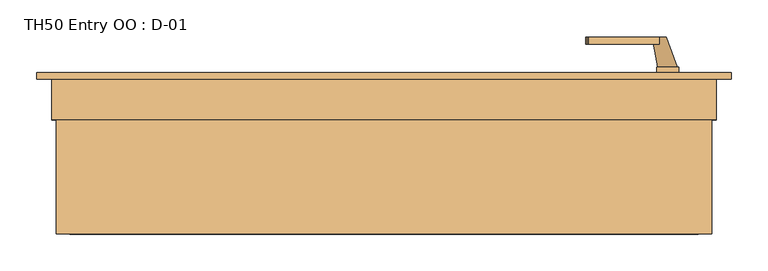
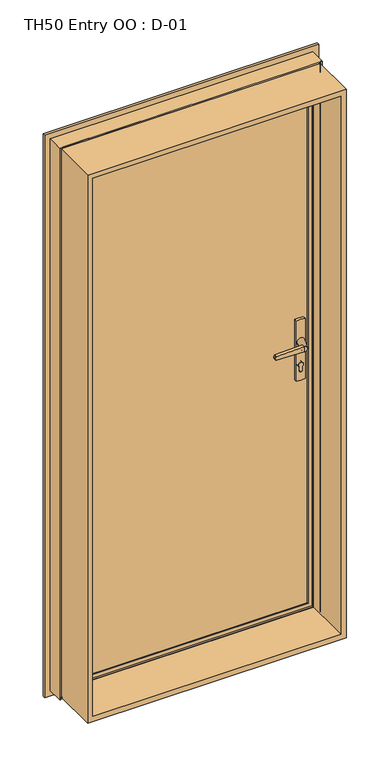
"""IFC4 building model written with IfcOpenShell, lengths in millimetres: door geometry, TH50 Entry OO : D-01."""

from ifc_helpers import new_model, si_unit, point, frame, frame_2d, origin, place, context, project, spatial, polyline, circle_curve, ellipse_curve, trimmed, segment, composite_curve, outline, extrude, source, transform, mapped, element, save
from ifc_brep_helpers import plane_surface, cylinder_surface, revolved_surface, spline_surface, advanced_brep


def th50_entry_oo_d_01_dc6464ea(model_context):
    return source(origin(), model_context, "Body", "SolidModel", [
        extrude(outline(polyline([(1993.8, 443.8), (1993.8, -443.8), (6.2, -443.8), (6.2, 443.8), (1993.8, 443.8)]), holes=[polyline([(24.7, 425.3), (24.7, -425.3), (1975.3, -425.3), (1975.3, 425.3), (24.7, 425.3)])]), frame((0.0, -100.0, 0.0), z_axis=(0.0, 1.0, 0.0), x_axis=(0.0, 0.0, 1.0)), (0.0, 0.0, 1.0), 165.9999813),
        extrude(outline(composite_curve([segment(trimmed(circle_curve(frame_2d((895.7, 384.0)), 5.0), [point((895.7, 379.0))], [point((895.7, 389.0))], False, "CARTESIAN"), True, "CONTINUOUS"), segment(polyline([(895.7, 389.0), (908.3261365, 389.0)]), True, "CONTINUOUS"), segment(trimmed(circle_curve(frame_2d((915.2, 384.0)), 8.5), [point((908.3261365, 389.0))], [point((908.3261365, 379.0))], False, "CARTESIAN"), True, "CONTINUOUS"), segment(polyline([(908.3261365, 379.0), (895.7, 379.0)]), True, "CONTINUOUS")], self_intersect=False)), frame((0.0, 66.3, 0.0), z_axis=(0.0, 1.0, 0.0), x_axis=(0.0, 0.0, 1.0)), (0.0, 0.0, 1.0), 11.0),
        extrude(outline(composite_curve([segment(polyline([(860.0, 398.9), (1078.5, 398.9)]), True, "CONTINUOUS"), segment(trimmed(circle_curve(frame_2d((982.3844339, 384.0)), 97.2636214), [point((1078.5, 398.9))], [point((1078.5, 369.1))], False, "CARTESIAN"), True, "CONTINUOUS"), segment(polyline([(1078.5, 369.1), (860.0, 369.1)]), True, "CONTINUOUS"), segment(trimmed(circle_curve(frame_2d((956.1155661, 384.0)), 97.2636214), [point((860.0, 369.1))], [point((860.0, 398.9))], False, "CARTESIAN"), True, "CONTINUOUS")], self_intersect=False), holes=[composite_curve([segment(trimmed(circle_curve(frame_2d((895.7, 384.0)), 5.0), [point((895.7, 389.0))], [point((895.7, 379.0))], True, "CARTESIAN"), True, "CONTINUOUS"), segment(polyline([(895.7, 379.0), (908.3261365, 379.0)]), True, "CONTINUOUS"), segment(trimmed(circle_curve(frame_2d((915.2, 384.0)), 8.5), [point((908.3261365, 379.0))], [point((908.3261365, 389.0))], True, "CARTESIAN"), True, "CONTINUOUS"), segment(polyline([(908.3261365, 389.0), (895.7, 389.0)]), True, "CONTINUOUS")], self_intersect=False)]), frame((0.0, 67.3, 0.0), z_axis=(0.0, 1.0, 0.0), x_axis=(0.0, 0.0, 1.0)), (0.0, 0.0, 1.0), 10.0),
        extrude(outline(composite_curve([segment(polyline([(1009.5, 373.0), (1006.9691269, 276.3498556)]), True, "CONTINUOUS"), segment(trimmed(circle_curve(frame_2d((1004.9698123, 276.4022095)), 2.0), [point((1006.9691269, 276.3498556))], [point((1005.4874503, 274.4703579))], False, "CARTESIAN"), True, "CONTINUOUS"), segment(polyline([(1005.4874503, 274.4703579), (1000.0, 273.0), (994.5125497, 274.4703579)]), True, "CONTINUOUS"), segment(trimmed(circle_curve(frame_2d((995.0301877, 276.4022095)), 2.0), [point((994.5125497, 274.4703579))], [point((993.0308731, 276.3498556))], False, "CARTESIAN"), True, "CONTINUOUS"), segment(polyline([(993.0308731, 276.3498556), (990.5, 373.0), (1009.5, 373.0)]), True, "CONTINUOUS")], self_intersect=False)), frame((0.0, 26.3, 0.0), z_axis=(0.0, 1.0, 0.0), x_axis=(0.0, 0.0, 1.0)), (0.0, 0.0, 1.0), 10.0),
        advanced_brep(
        [(382.5, 26.3, 1000.0), (363.5, 26.3, 1000.0), (397.4, 67.3, 1000.0), (370.6, 67.3, 1000.0)],
        [
            (0, 1, circle_curve(frame((373.0, 26.3, 1000.0), z_axis=(0.0, -1.0, 0.0), x_axis=(-1.0, 0.0, 0.0)), 9.5)),
            (1, 0, circle_curve(frame((373.0, 26.3, 1000.0), z_axis=(0.0, -1.0, 0.0), x_axis=(-1.0, 0.0, 0.0)), 9.5)),
            (2, 3, circle_curve(frame((384.0, 67.3, 1000.0), z_axis=(0.0, 1.0, 0.0), x_axis=(-1.0, 0.0, 0.0)), 13.4)),
            (3, 2, circle_curve(frame((384.0, 67.3, 1000.0), z_axis=(0.0, 1.0, 0.0), x_axis=(-1.0, 0.0, 0.0)), 13.4)),
            (2, 0),
            (1, 3),
        ],
        [
            plane_surface(frame((373.0, 26.3, 1000.0), z_axis=(0.0, -1.0, 0.0), x_axis=(0.0, 0.0, -1.0))),
            plane_surface(frame((384.0, 67.3, 1000.0), z_axis=(0.0, 1.0, 0.0), x_axis=(0.0, 0.0, -1.0))),
            spline_surface(1, 2, [[(397.4, 67.3, 1000.0), (397.4, 67.3, 986.6), (384.0, 67.3, 986.6), (370.6, 67.3, 986.6), (370.6, 67.3, 1000.0)], [(382.5, 26.3, 1000.0), (382.5, 26.3, 990.5), (373.0, 26.3, 990.5), (363.5, 26.3, 990.5), (363.5, 26.3, 1000.0)]], [2, 2], [3, 2, 3], [0.0, 1.0], [0.0, 1.0, 2.0], weights=[[1.0, 0.7071067811865476, 1.0, 0.7071067811865476, 1.0], [1.0, 0.7071067811865476, 1.0, 0.7071067811865476, 1.0]]),
            spline_surface(1, 2, [[(370.6, 67.3, 1000.0), (370.6, 67.3, 1013.4), (384.0, 67.3, 1013.4), (397.4, 67.3, 1013.4), (397.4, 67.3, 1000.0)], [(363.5, 26.3, 1000.0), (363.5, 26.3, 1009.5), (373.0, 26.3, 1009.5), (382.5, 26.3, 1009.5), (382.5, 26.3, 1000.0)]], [2, 2], [3, 2, 3], [0.0, 1.0], [0.0, 1.0, 2.0], weights=[[1.0, 0.7071067811865476, 1.0, 0.7071067811865476, 1.0], [1.0, 0.7071067811865476, 1.0, 0.7071067811865476, 1.0]]),
        ],
        [
            (0, [[1, 2]]),
            (1, [[3, 4]]),
            (2, [[5, -2, 6, -3]]),
            (3, [[-6, -1, -5, -4]]),
        ],
    ),
        extrude(outline(composite_curve([segment(trimmed(circle_curve(frame_2d((895.7, 384.0)), 5.0), [point((895.7, 379.0))], [point((895.7, 389.0))], False, "CARTESIAN"), True, "CONTINUOUS"), segment(polyline([(895.7, 389.0), (908.3261365, 389.0)]), True, "CONTINUOUS"), segment(trimmed(circle_curve(frame_2d((915.2, 384.0)), 8.5), [point((908.3261365, 389.0))], [point((908.3261365, 379.0))], False, "CARTESIAN"), True, "CONTINUOUS"), segment(polyline([(908.3261365, 379.0), (895.7, 379.0)]), True, "CONTINUOUS")], self_intersect=False)), frame((0.0, 116.3, 0.0), z_axis=(0.0, 1.0, 0.0), x_axis=(0.0, 0.0, 1.0)), (0.0, 0.0, 1.0), 11.0),
        extrude(outline(composite_curve([segment(polyline([(860.0, 398.9), (1078.5, 398.9)]), True, "CONTINUOUS"), segment(trimmed(circle_curve(frame_2d((982.3844339, 384.0)), 97.2636214), [point((1078.5, 398.9))], [point((1078.5, 369.1))], False, "CARTESIAN"), True, "CONTINUOUS"), segment(polyline([(1078.5, 369.1), (860.0, 369.1)]), True, "CONTINUOUS"), segment(trimmed(circle_curve(frame_2d((956.1155661, 384.0)), 97.2636214), [point((860.0, 369.1))], [point((860.0, 398.9))], False, "CARTESIAN"), True, "CONTINUOUS")], self_intersect=False), holes=[composite_curve([segment(trimmed(circle_curve(frame_2d((895.7, 384.0)), 5.0), [point((895.7, 389.0))], [point((895.7, 379.0))], True, "CARTESIAN"), True, "CONTINUOUS"), segment(polyline([(895.7, 379.0), (908.3261365, 379.0)]), True, "CONTINUOUS"), segment(trimmed(circle_curve(frame_2d((915.2, 384.0)), 8.5), [point((908.3261365, 379.0))], [point((908.3261365, 389.0))], True, "CARTESIAN"), True, "CONTINUOUS"), segment(polyline([(908.3261365, 389.0), (895.7, 389.0)]), True, "CONTINUOUS")], self_intersect=False)]), frame((0.0, 116.3, 0.0), z_axis=(0.0, 1.0, 0.0), x_axis=(0.0, 0.0, 1.0)), (0.0, 0.0, 1.0), 10.0),
        extrude(outline(composite_curve([segment(polyline([(1009.5, 373.0), (1006.9691269, 276.3498556)]), True, "CONTINUOUS"), segment(trimmed(circle_curve(frame_2d((1004.9698123, 276.4022095)), 2.0), [point((1006.9691269, 276.3498556))], [point((1005.4874503, 274.4703579))], False, "CARTESIAN"), True, "CONTINUOUS"), segment(polyline([(1005.4874503, 274.4703579), (1000.0, 273.0), (994.5125497, 274.4703579)]), True, "CONTINUOUS"), segment(trimmed(circle_curve(frame_2d((995.0301877, 276.4022095)), 2.0), [point((994.5125497, 274.4703579))], [point((993.0308731, 276.3498556))], False, "CARTESIAN"), True, "CONTINUOUS"), segment(polyline([(993.0308731, 276.3498556), (990.5, 373.0), (1009.5, 373.0)]), True, "CONTINUOUS")], self_intersect=False)), frame((0.0, 157.3, 0.0), z_axis=(0.0, 1.0, 0.0), x_axis=(0.0, 0.0, 1.0)), (0.0, 0.0, 1.0), 10.0),
        advanced_brep(
        [(382.5, 167.3, 1000.0), (363.5, 167.3, 1000.0), (397.4, 126.3, 1000.0), (370.6, 126.3, 1000.0)],
        [
            (0, 1, circle_curve(frame((373.0, 167.3, 1000.0), z_axis=(0.0, 1.0, 0.0), x_axis=(-1.0, 0.0, 0.0)), 9.5)),
            (1, 0, circle_curve(frame((373.0, 167.3, 1000.0), z_axis=(0.0, 1.0, 0.0), x_axis=(-1.0, 0.0, 0.0)), 9.5)),
            (2, 3, circle_curve(frame((384.0, 126.3, 1000.0), z_axis=(0.0, -1.0, 0.0), x_axis=(-1.0, 0.0, 0.0)), 13.4)),
            (3, 2, circle_curve(frame((384.0, 126.3, 1000.0), z_axis=(0.0, -1.0, 0.0), x_axis=(-1.0, 0.0, 0.0)), 13.4)),
            (3, 1),
            (0, 2),
        ],
        [
            plane_surface(frame((373.0, 167.3, 1000.0), z_axis=(0.0, 1.0, 0.0), x_axis=(0.0, 0.0, -1.0))),
            plane_surface(frame((384.0, 126.3, 1000.0), z_axis=(0.0, -1.0, 0.0), x_axis=(0.0, 0.0, -1.0))),
            spline_surface(2, 1, [[(397.4, 126.3, 1000.0), (382.5, 167.3, 1000.0)], [(397.4, 126.3, 986.6), (382.5, 167.3, 990.5)], [(384.0, 126.3, 986.6), (373.0, 167.3, 990.5)], [(370.6, 126.3, 986.6), (363.5, 167.3, 990.5)], [(370.6, 126.3, 1000.0), (363.5, 167.3, 1000.0)]], [3, 2, 3], [2, 2], [0.0, 1.0, 2.0], [0.0, 1.0], weights=[[1.0, 1.0], [0.7071067811865476, 0.7071067811865476], [1.0, 1.0], [0.7071067811865476, 0.7071067811865476], [1.0, 1.0]]),
            spline_surface(2, 1, [[(370.6, 126.3, 1000.0), (363.5, 167.3, 1000.0)], [(370.6, 126.3, 1013.4), (363.5, 167.3, 1009.5)], [(384.0, 126.3, 1013.4), (373.0, 167.3, 1009.5)], [(397.4, 126.3, 1013.4), (382.5, 167.3, 1009.5)], [(397.4, 126.3, 1000.0), (382.5, 167.3, 1000.0)]], [3, 2, 3], [2, 2], [0.0, 1.0, 2.0], [0.0, 1.0], weights=[[1.0, 1.0], [0.7071067811865476, 0.7071067811865476], [1.0, 1.0], [0.7071067811865476, 0.7071067811865476], [1.0, 1.0]]),
        ],
        [
            (0, [[1, 2]]),
            (1, [[3, 4]]),
            (2, [[-4, 5, -1, 6]]),
            (3, [[-3, -6, -2, -5]]),
        ],
    ),
        extrude(outline(polyline([(424.0, 116.3), (424.0, 77.3), (-425.0, 77.3), (-425.0, 116.3), (424.0, 116.3)])), frame((0.0, 0.0, 25.0), z_axis=(0.0, 0.0, 1.0), x_axis=(1.0, 0.0, 0.0)), (0.0, 0.0, 1.0), 1950.0),
        advanced_brep(
        [(470.000038, 110.0, 2020.000038), (470.000038, 110.0, -20.000038), (470.000038, 118.9999375, -20.000038), (470.000038, 118.9999375, 2020.000038), (-470.000038, 118.9999375, 2020.000038), (-470.000038, 118.9999375, -20.000038), (430.0000396, 118.9999375, 1980.0000396), (-430.0000396, 118.9999375, 1980.0000396), (-430.0000396, 118.9999375, 19.9999604), (430.0000396, 118.9999375, 19.9999604), (-470.000038, 110.0, -20.000038), (-470.000038, 110.0, 2020.000038), (-450.0, 110.0, 2000.0), (450.0, 110.0, 2000.0), (450.0, 110.0, 0.0), (-450.0, 110.0, 0.0), (450.0, 54.8507969, 2000.0), (450.0, 54.8507969, 0.0), (-450.0, 54.8507969, 0.0), (445.0001465, 54.8506112, 1995.0001465), (445.0001465, 54.8506112, 4.9998535), (-445.0001465, 54.8506112, 4.9998535), (445.0001465, 56.5920405, 1995.0001465), (445.0001465, 56.5920405, 4.9998535), (-445.0001465, 56.5920405, 4.9998535), (443.8001794, 56.5908144, 1993.8001794), (443.8001794, 56.5908144, 6.1998206), (-443.8001794, 56.5908144, 6.1998206), (443.8001794, 65.9999813, 1993.8001794), (443.8001794, 65.9999813, 6.1998206), (-443.8001794, 65.9999813, 6.1998206), (-443.8001794, 65.9999813, 1993.8001794), (-424.2001794, 65.9999813, 1974.2001794), (424.2001794, 65.9999813, 1974.2001794), (424.2001794, 65.9999813, 25.7998206), (-424.2001794, 65.9999813, 25.7998206), (424.2001794, 61.9999728, 1974.2001794), (424.2001794, 61.9999728, 25.7998206), (-424.2001794, 61.9999728, 25.7998206), (-424.2001794, 61.9999728, 1974.2001794), (-422.6156704, 61.9999728, 1972.6156704), (422.6156704, 61.9999728, 1972.6156704), (422.6156704, 61.9999728, 27.3843296), (-422.6156704, 61.9999728, 27.3843296), (422.8755675, 68.9999299, 1972.8755675), (422.8755675, 68.9999299, 27.1244325), (-422.8755675, 68.9999299, 27.1244325), (-422.8755675, 68.9999299, 1972.8755675), (-410.0002274, 68.9999299, 1960.0002274), (410.0002274, 68.9999299, 1960.0002274), (410.0002274, 68.9999299, 39.9997726), (-410.0002274, 68.9999299, 39.9997726), (410.0002274, 72.5999758, 1960.0002274), (410.0002274, 72.5999758, 39.9997726), (-410.0002274, 72.5999758, 39.9997726), (-430.0000396, 72.5999758, 1980.0000396), (430.0000396, 72.5999758, 1980.0000396), (430.0000396, 72.5999758, 19.9999604), (-430.0000396, 72.5999758, 19.9999604), (-410.0002274, 72.5999758, 1960.0002274), (-450.0, 54.8507969, 2000.0), (-445.0001465, 54.8506112, 1995.0001465), (-445.0001465, 56.5920405, 1995.0001465), (-443.8001794, 56.5908144, 1993.8001794)],
        [
            (0, 1),
            (1, 2),
            (2, 3),
            (3, 0),
            (4, 3),
            (2, 5),
            (5, 4),
            (6, 7),
            (7, 8),
            (8, 9),
            (9, 6),
            (1, 10),
            (10, 5),
            (0, 11),
            (11, 10),
            (12, 13),
            (13, 14),
            (14, 15),
            (15, 12),
            (16, 17),
            (17, 14),
            (13, 16),
            (17, 18),
            (18, 15),
            (19, 20),
            (20, 17, ellipse_curve(frame((447.5001465, 52.8785929, 2.4998535), z_axis=(-0.7071067811865475, 0.0, -0.7071067811865475), x_axis=(0.7071067811865474, 0.0, -0.7071067811865476)), 4.5030781, 3.184157)),
            (16, 19, ellipse_curve(frame((447.5001465, 52.8785929, 1997.5001465), z_axis=(-0.7071067811865475, 0.0, 0.7071067811865475), x_axis=(-0.7071067811865474, 0.0, -0.7071067811865476)), 4.5030781, 3.184157)),
            (20, 21),
            (21, 18, ellipse_curve(frame((-447.5001465, 52.8785929, 2.4998535), z_axis=(-0.7071067811865475, 0.0, 0.7071067811865475), x_axis=(-0.7071067811865476, 0.0, -0.7071067811865474)), 4.5030781, 3.184157)),
            (22, 23),
            (23, 20),
            (19, 22),
            (23, 24),
            (24, 21),
            (25, 26),
            (26, 23, ellipse_curve(frame((444.4001534, 56.6007652, 5.5998466), z_axis=(0.7071067811865475, 0.0, 0.7071067811865475), x_axis=(-0.7071067811865474, 0.0, 0.7071067811865476)), 0.8486081, 0.6000566)),
            (22, 25, ellipse_curve(frame((444.4001534, 56.6007652, 1994.4001534), z_axis=(0.7071067811865475, 0.0, -0.7071067811865475), x_axis=(0.7071067811865474, 0.0, 0.7071067811865476)), 0.8486081, 0.6000566)),
            (26, 27),
            (27, 24, ellipse_curve(frame((-444.4001534, 56.6007652, 5.5998466), z_axis=(0.7071067811865475, 0.0, -0.7071067811865475), x_axis=(0.7071067811865476, 0.0, 0.7071067811865474)), 0.8486081, 0.6000566)),
            (28, 29),
            (29, 26),
            (25, 28),
            (29, 30),
            (30, 27),
            (28, 31),
            (31, 30),
            (32, 33),
            (33, 34),
            (34, 35),
            (35, 32),
            (36, 37),
            (37, 34),
            (33, 36),
            (37, 38),
            (38, 35),
            (36, 39),
            (39, 38),
            (40, 41),
            (41, 42),
            (42, 43),
            (43, 40),
            (44, 45),
            (45, 42),
            (41, 44),
            (45, 46),
            (46, 43),
            (44, 47),
            (47, 46),
            (48, 49),
            (49, 50),
            (50, 51),
            (51, 48),
            (52, 53),
            (53, 50),
            (49, 52),
            (53, 54),
            (54, 51),
            (55, 56),
            (56, 57),
            (57, 58),
            (58, 55),
            (52, 59),
            (59, 54),
            (9, 57),
            (56, 6),
            (8, 58),
            (11, 4),
            (18, 60),
            (60, 12),
            (21, 61),
            (61, 60, ellipse_curve(frame((-447.5001465, 52.8785929, 1997.5001465), z_axis=(0.7071067811865475, 0.0, 0.7071067811865475), x_axis=(-0.7071067811865474, 0.0, 0.7071067811865476)), 4.5030781, 3.184157)),
            (24, 62),
            (62, 61),
            (27, 63),
            (63, 62, ellipse_curve(frame((-444.4001534, 56.6007652, 1994.4001534), z_axis=(-0.7071067811865475, 0.0, -0.7071067811865475), x_axis=(0.7071067811865474, 0.0, -0.7071067811865476)), 0.8486081, 0.6000566)),
            (31, 63),
            (39, 32),
            (47, 40),
            (59, 48),
            (7, 55),
            (60, 16),
            (61, 19),
            (62, 22),
            (63, 25),
        ],
        [
            plane_surface(frame((470.000038, 118.9999375, 2020.000038), z_axis=(1.0, 0.0, 0.0), x_axis=(0.0, 0.0, -1.0))),
            plane_surface(frame((-430.0000396, 118.9999375, 19.9999604), z_axis=(0.0, 1.0, 0.0), x_axis=(0.0, 0.0, 1.0))),
            plane_surface(frame((470.000038, 118.9999375, -20.000038), z_axis=(0.0, 0.0, -1.0), x_axis=(-1.0, 0.0, 0.0))),
            plane_surface(frame((-470.000038, 110.0, -20.000038), z_axis=(0.0, -1.0, 0.0), x_axis=(0.0, 0.0, 1.0))),
            plane_surface(frame((450.0, 110.0, 2000.0), z_axis=(1.0, 0.0, 0.0), x_axis=(0.0, 0.0, -1.0))),
            plane_surface(frame((450.0, 110.0, 0.0), z_axis=(0.0, 0.0, -1.0), x_axis=(-1.0, 0.0, 0.0))),
            revolved_surface(polyline([(450.68430350000006, 52.8785929, -0.6843035607225829), (450.68430350000006, 52.8785929, 2000.6843035607226)]), (447.5001465, 52.8785929, 2000.0), (0.0, 0.0, -1.0)),
            revolved_surface(polyline([(-450.6843035607227, 52.8785929, -0.6843035), (450.68430356072264, 52.8785929, -0.6843035)]), (450.0, 52.8785929, 2.4998535), (-1.0, 0.0, 0.0)),
            plane_surface(frame((445.0001465, 54.8506112, 1995.0001465), z_axis=(-1.0, 0.0, 0.0), x_axis=(0.0, 0.0, -1.0))),
            plane_surface(frame((445.0001465, 54.8506112, 4.9998535), z_axis=(0.0, 0.0, 1.0), x_axis=(-1.0, 0.0, 0.0))),
            cylinder_surface(frame((444.4001534, 56.6007652, 2000.0), z_axis=(0.0, 0.0, 1.0), x_axis=(1.0, 0.0, 0.0)), 0.6000566),
            cylinder_surface(frame((450.0, 56.6007652, 5.5998466), z_axis=(1.0, 0.0, 0.0), x_axis=(0.0, 0.0, -1.0)), 0.6000566),
            plane_surface(frame((443.8001794, 56.5908144, 1993.8001794), z_axis=(-1.0, 0.0, 0.0), x_axis=(0.0, 0.0, -1.0))),
            plane_surface(frame((443.8001794, 56.5908144, 6.1998206), z_axis=(0.0, 0.0, 1.0), x_axis=(-1.0, 0.0, 0.0))),
            plane_surface(frame((-443.8001794, 65.9999813, 6.1998206), z_axis=(0.0, -1.0, 0.0), x_axis=(0.0, 0.0, 1.0))),
            plane_surface(frame((424.2001794, 65.9999813, 1974.2001794), z_axis=(1.0, 0.0, 0.0), x_axis=(0.0, 0.0, -1.0))),
            plane_surface(frame((424.2001794, 65.9999813, 25.7998206), z_axis=(0.0, 0.0, -1.0), x_axis=(-1.0, 0.0, 0.0))),
            plane_surface(frame((-424.2001794, 61.9999728, 25.7998206), z_axis=(0.0, -1.0, 0.0), x_axis=(0.0, 0.0, 1.0))),
            plane_surface(frame((422.6156704, 61.9999728, 1972.6156704), z_axis=(-0.9993114533203381, 0.0371028201460986, 0.0), x_axis=(0.0, 0.0, -1.0))),
            plane_surface(frame((422.6156704, 61.9999728, 27.3843296), z_axis=(0.0, 0.03710282014609248, 0.9993114533203383), x_axis=(-1.0, 0.0, 0.0))),
            plane_surface(frame((-422.8755675, 68.9999299, 27.1244325), z_axis=(0.0, -1.0, 0.0), x_axis=(0.0, 0.0, 1.0))),
            plane_surface(frame((410.0002274, 68.9999299, 1960.0002274), z_axis=(-1.0, 0.0, 0.0), x_axis=(0.0, 0.0, -1.0))),
            plane_surface(frame((410.0002274, 68.9999299, 39.9997726), z_axis=(0.0, 0.0, 1.0), x_axis=(-1.0, 0.0, 0.0))),
            plane_surface(frame((-410.0002274, 72.5999758, 39.9997726), z_axis=(0.0, 1.0, 0.0), x_axis=(0.0, 0.0, 1.0))),
            plane_surface(frame((430.0000396, 72.5999758, 1980.0000396), z_axis=(-1.0, 0.0, 0.0), x_axis=(0.0, 0.0, -1.0))),
            plane_surface(frame((430.0000396, 72.5999758, 19.9999604), z_axis=(0.0, 0.0, 1.0), x_axis=(-1.0, 0.0, 0.0))),
            plane_surface(frame((-470.000038, 118.9999375, -20.000038), z_axis=(-1.0, 0.0, 0.0), x_axis=(0.0, 0.0, 1.0))),
            plane_surface(frame((-450.0, 110.0, 0.0), z_axis=(-1.0, 0.0, 0.0), x_axis=(0.0, 0.0, 1.0))),
            revolved_surface(polyline([(-450.68430350000006, 52.8785929, 2000.6843035607226), (-450.68430350000006, 52.8785929, -0.6843035607226331)]), (-447.5001465, 52.8785929, 0.0), (0.0, 0.0, 1.0)),
            plane_surface(frame((-445.0001465, 54.8506112, 4.9998535), z_axis=(1.0, 0.0, 0.0), x_axis=(0.0, 0.0, 1.0))),
            cylinder_surface(frame((-444.4001534, 56.6007652, 0.0), z_axis=(0.0, 0.0, -1.0), x_axis=(-1.0, 0.0, 0.0)), 0.6000566),
            plane_surface(frame((-443.8001794, 56.5908144, 6.1998206), z_axis=(1.0, 0.0, 0.0), x_axis=(0.0, 0.0, 1.0))),
            plane_surface(frame((-424.2001794, 65.9999813, 25.7998206), z_axis=(-1.0, 0.0, 0.0), x_axis=(0.0, 0.0, 1.0))),
            plane_surface(frame((-422.6156704, 61.9999728, 27.3843296), z_axis=(0.9993114533203385, 0.03710282014608636, 0.0), x_axis=(0.0, 0.0, 1.0))),
            plane_surface(frame((-410.0002274, 68.9999299, 39.9997726), z_axis=(1.0, 0.0, 0.0), x_axis=(0.0, 0.0, 1.0))),
            plane_surface(frame((-430.0000396, 72.5999758, 19.9999604), z_axis=(1.0, 0.0, 0.0), x_axis=(0.0, 0.0, 1.0))),
            plane_surface(frame((-470.000038, 118.9999375, 2020.000038), z_axis=(0.0, 0.0, 1.0), x_axis=(1.0, 0.0, 0.0))),
            plane_surface(frame((-450.0, 110.0, 2000.0), z_axis=(0.0, 0.0, 1.0), x_axis=(1.0, 0.0, 0.0))),
            revolved_surface(polyline([(450.6843035607227, 52.8785929, 2000.6843035), (-450.68430356072264, 52.8785929, 2000.6843035)]), (-450.0, 52.8785929, 1997.5001465), (1.0, 0.0, 0.0)),
            plane_surface(frame((-445.0001465, 54.8506112, 1995.0001465), z_axis=(0.0, 0.0, -1.0), x_axis=(1.0, 0.0, 0.0))),
            cylinder_surface(frame((-450.0, 56.6007652, 1994.4001534), z_axis=(-1.0, 0.0, 0.0), x_axis=(0.0, 0.0, 1.0)), 0.6000566),
            plane_surface(frame((-443.8001794, 56.5908144, 1993.8001794), z_axis=(0.0, 0.0, -1.0), x_axis=(1.0, 0.0, 0.0))),
            plane_surface(frame((-424.2001794, 65.9999813, 1974.2001794), z_axis=(0.0, 0.0, 1.0), x_axis=(1.0, 0.0, 0.0))),
            plane_surface(frame((-422.6156704, 61.9999728, 1972.6156704), z_axis=(0.0, 0.03710282014609248, -0.9993114533203383), x_axis=(1.0, 0.0, 0.0))),
            plane_surface(frame((-410.0002274, 68.9999299, 1960.0002274), z_axis=(0.0, 0.0, -1.0), x_axis=(1.0, 0.0, 0.0))),
            plane_surface(frame((-430.0000396, 72.5999758, 1980.0000396), z_axis=(0.0, 0.0, -1.0), x_axis=(1.0, 0.0, 0.0))),
        ],
        [
            (0, [[1, 2, 3, 4]]),
            (1, [[5, -3, 6, 7], [8, 9, 10, 11]]),
            (2, [[12, 13, -6, -2]]),
            (3, [[14, 15, -12, -1], [16, 17, 18, 19]]),
            (4, [[20, 21, -17, 22]]),
            (5, [[23, 24, -18, -21]]),
            (6, [[25, 26, -20, 27]]),
            (7, [[28, 29, -23, -26]]),
            (8, [[30, 31, -25, 32]]),
            (9, [[33, 34, -28, -31]]),
            (10, [[35, 36, -30, 37]]),
            (11, [[38, 39, -33, -36]]),
            (12, [[40, 41, -35, 42]]),
            (13, [[43, 44, -38, -41]]),
            (14, [[45, 46, -43, -40], [47, 48, 49, 50]]),
            (15, [[51, 52, -48, 53]]),
            (16, [[54, 55, -49, -52]]),
            (17, [[56, 57, -54, -51], [58, 59, 60, 61]]),
            (18, [[62, 63, -59, 64]]),
            (19, [[65, 66, -60, -63]]),
            (20, [[67, 68, -65, -62], [69, 70, 71, 72]]),
            (21, [[73, 74, -70, 75]]),
            (22, [[76, 77, -71, -74]]),
            (23, [[78, 79, 80, 81], [82, 83, -76, -73]]),
            (24, [[-11, 84, -79, 85]]),
            (25, [[-10, 86, -80, -84]]),
            (26, [[-15, 87, -7, -13]]),
            (27, [[88, 89, -19, -24]]),
            (28, [[90, 91, -88, -29]]),
            (29, [[92, 93, -90, -34]]),
            (30, [[94, 95, -92, -39]]),
            (31, [[-46, 96, -94, -44]]),
            (32, [[-57, 97, -50, -55]]),
            (33, [[-68, 98, -61, -66]]),
            (34, [[-83, 99, -72, -77]]),
            (35, [[-9, 100, -81, -86]]),
            (36, [[-14, -4, -5, -87]]),
            (37, [[101, -22, -16, -89]]),
            (38, [[102, -27, -101, -91]]),
            (39, [[103, -32, -102, -93]]),
            (40, [[104, -37, -103, -95]]),
            (41, [[-45, -42, -104, -96]]),
            (42, [[-56, -53, -47, -97]]),
            (43, [[-67, -64, -58, -98]]),
            (44, [[-82, -75, -69, -99]]),
            (45, [[-8, -85, -78, -100]]),
        ],
    ),
    ])


if __name__ == "__main__":
    model = new_model("IFC4")
    model_context = context("Model", 3, world=origin())
    ifc_project = project(units=[si_unit("LENGTHUNIT", "METRE", prefix="MILLI")], contexts=[model_context])
    site = spatial("IfcSite", under=ifc_project)
    building = spatial("IfcBuilding", under=site)
    placement = place(None, origin())
    th50_entry_oo_d_01_shape = th50_entry_oo_d_01_dc6464ea(model_context)
    element("IfcDoor", 1, ObjectType="TH50 Entry OO : D-01", at=placement, inside=building, context=model_context, shape_type="MappedRepresentation", body=[
        mapped(th50_entry_oo_d_01_shape, transform((0.0, 0.0, 0.0), x_axis=(1.0, 0.0, 0.0), y_axis=(0.0, 1.0, 0.0), z_axis=(0.0, 0.0, 1.0))),
    ])
    save(model, "model.ifc")
